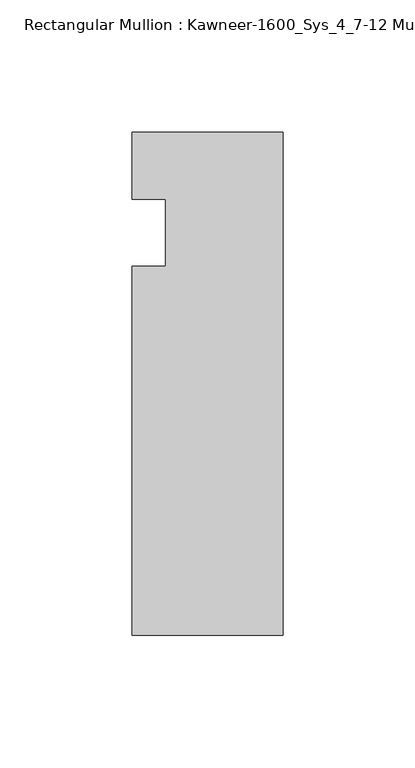
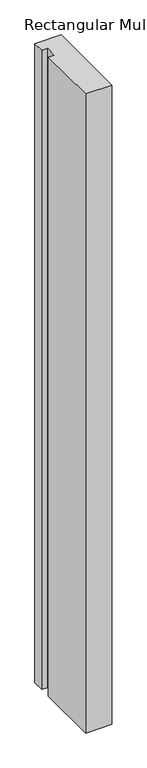
"""IFC4 building model written with IfcOpenShell, lengths in millimetres: member geometry, Rectangular Mullion : Kawneer-1600_Sys_4_7-12 Mullion_Head."""

from ifc_helpers import new_model, si_unit, frame, origin, place, context, project, spatial, polyline, outline, extrude, source, transform, mapped, element, save


def rectangular_mullion_kawneer_1600_sys_4_7_12_mullion_head_a7b5ebe8(model_context):
    return source(origin(), model_context, "Body", "SweptSolid", [
        extrude(outline(polyline([(-57.15, -152.4), (-57.15, -12.7), (-44.4482296, -12.7), (-44.4482296, 12.7), (-57.15, 12.7), (-57.15, 38.1), (0.0, 38.1), (0.0, -152.4), (-57.15, -152.4)])), frame((0.0, 0.0, -1466.85), z_axis=(0.0, 0.0, 1.0), x_axis=(1.0, 0.0, 0.0)), (0.0, 0.0, 1.0), 1466.85),
    ])


if __name__ == "__main__":
    model = new_model("IFC4")
    model_context = context("Model", 3, world=origin())
    ifc_project = project(units=[si_unit("LENGTHUNIT", "METRE", prefix="MILLI")], contexts=[model_context])
    site = spatial("IfcSite", under=ifc_project)
    building = spatial("IfcBuilding", under=site)
    placement = place(None, origin())
    rectangular_mullion_kawneer_1600_sys_4_7_12_mullion_head_shape = rectangular_mullion_kawneer_1600_sys_4_7_12_mullion_head_a7b5ebe8(model_context)
    element("IfcMember", 1, ObjectType="Rectangular Mullion : Kawneer-1600_Sys_4_7-12 Mullion_Head", at=placement, inside=building, context=model_context, shape_type="MappedRepresentation", body=[
        mapped(rectangular_mullion_kawneer_1600_sys_4_7_12_mullion_head_shape, transform((0.0, 0.0, 0.0), x_axis=(1.0, 0.0, 0.0), y_axis=(0.0, 1.0, 0.0), z_axis=(0.0, 0.0, 1.0))),
    ])
    save(model, "model.ifc")
